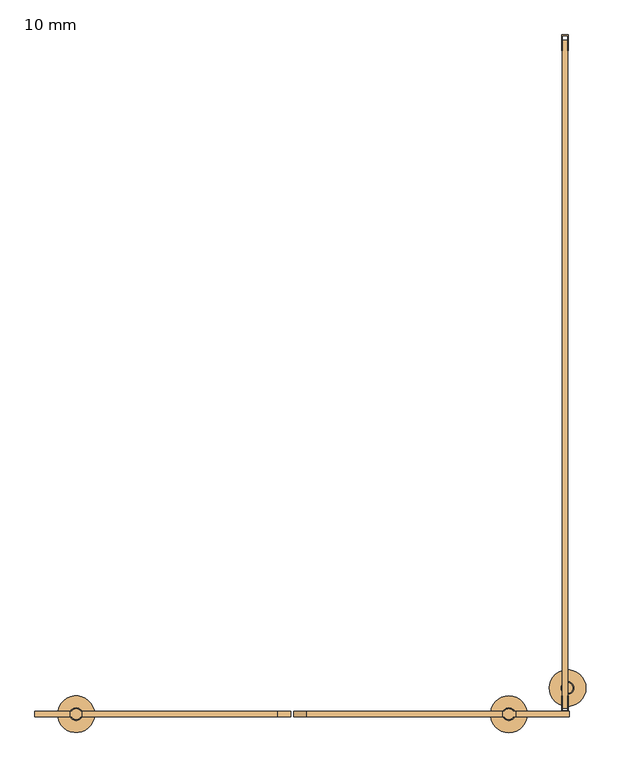
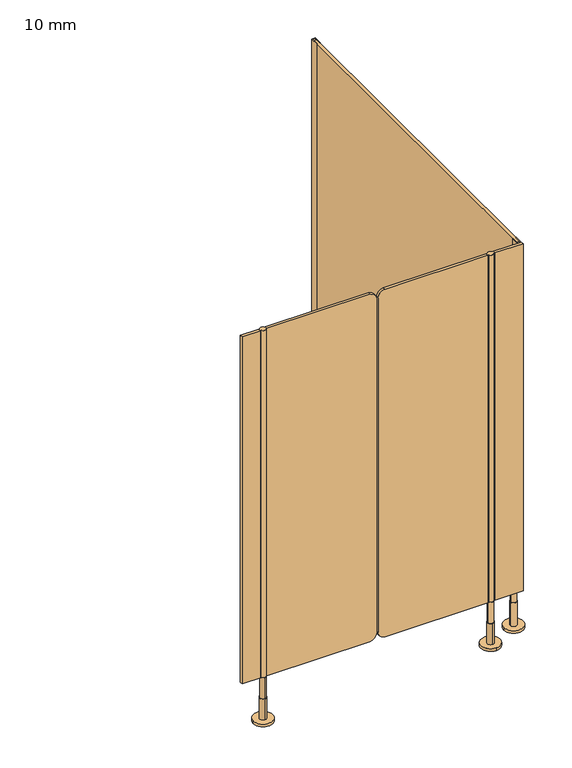
"""IFC4 building model written with IfcOpenShell, lengths in millimetres: door geometry, 10 mm."""

from ifc_helpers import new_model, si_unit, point, frame, frame_2d, origin, place, context, project, spatial, polyline, circle_curve, trimmed, segment, composite_curve, outline, extrude, source, transform, mapped, element, save
from ifc_brep_helpers import plane_surface, cylinder_surface, advanced_brep


def door_10_mm_586734e5(model_context):
    return source(origin(), model_context, "Body", "SolidModel", [
        advanced_brep(
        [(408.0, -1295.0, 170.0), (388.0, -1295.0, 170.0), (388.0, -1295.0, 90.0), (408.0, -1295.0, 90.0), (398.0, -1283.0, 90.0), (398.0, -1307.0, 90.0), (398.0, -1283.0, 10.0), (398.0, -1307.0, 10.0), (398.0, -1260.0, 10.0), (398.0, -1330.0, 10.0), (398.0, -1260.0, 0.0), (398.0, -1330.0, 0.0)],
        [
            (0, 1, circle_curve(frame((398.0, -1295.0, 170.0), z_axis=(0.0, 0.0, 1.0), x_axis=(-1.0, 0.0, 0.0)), 10.0)),
            (1, 0, circle_curve(frame((398.0, -1295.0, 170.0), z_axis=(0.0, 0.0, 1.0), x_axis=(-1.0, 0.0, 0.0)), 10.0)),
            (1, 2),
            (2, 3, circle_curve(frame((398.0, -1295.0, 90.0), z_axis=(0.0, 0.0, 1.0), x_axis=(-1.0, 0.0, 0.0)), 10.0)),
            (3, 0),
            (3, 2, circle_curve(frame((398.0, -1295.0, 90.0), z_axis=(0.0, 0.0, 1.0), x_axis=(-1.0, 0.0, 0.0)), 10.0)),
            (4, 5, circle_curve(frame((398.0, -1295.0, 90.0), z_axis=(0.0, 0.0, 1.0), x_axis=(0.0, -1.0, 0.0)), 12.0)),
            (5, 4, circle_curve(frame((398.0, -1295.0, 90.0), z_axis=(0.0, 0.0, 1.0), x_axis=(0.0, -1.0, 0.0)), 12.0)),
            (4, 6),
            (6, 7, circle_curve(frame((398.0, -1295.0, 10.0), z_axis=(0.0, 0.0, 1.0), x_axis=(0.0, -1.0, 0.0)), 12.0)),
            (7, 5),
            (7, 6, circle_curve(frame((398.0, -1295.0, 10.0), z_axis=(0.0, 0.0, 1.0), x_axis=(0.0, -1.0, 0.0)), 12.0)),
            (8, 9, circle_curve(frame((398.0, -1295.0, 10.0), z_axis=(0.0, 0.0, 1.0), x_axis=(0.0, -1.0, 0.0)), 35.0)),
            (9, 8, circle_curve(frame((398.0, -1295.0, 10.0), z_axis=(0.0, 0.0, 1.0), x_axis=(0.0, -1.0, 0.0)), 35.0)),
            (10, 11, circle_curve(frame((398.0, -1295.0, 0.0), z_axis=(0.0, 0.0, -1.0), x_axis=(0.0, -1.0, 0.0)), 35.0)),
            (11, 10, circle_curve(frame((398.0, -1295.0, 0.0), z_axis=(0.0, 0.0, -1.0), x_axis=(0.0, -1.0, 0.0)), 35.0)),
            (8, 10),
            (11, 9),
        ],
        [
            plane_surface(frame((398.0, -1290.0, 170.0), z_axis=(0.0, 0.0, 1.0), x_axis=(0.0, -1.0, 0.0))),
            cylinder_surface(frame((398.0, -1295.0, 90.0), z_axis=(0.0, 0.0, -1.0), x_axis=(-1.0, 0.0, 0.0)), 10.0),
            plane_surface(frame((398.0, -1290.0, 90.0), z_axis=(0.0, 0.0, 1.0), x_axis=(0.0, -1.0, 0.0))),
            cylinder_surface(frame((398.0, -1295.0, 90.0), z_axis=(0.0, 0.0, 1.0), x_axis=(0.0, -1.0, 0.0)), 12.0),
            plane_surface(frame((398.0, -1290.0, 10.0), z_axis=(0.0, 0.0, 1.0), x_axis=(0.0, -1.0, 0.0))),
            plane_surface(frame((398.0, -1290.0, 0.0), z_axis=(0.0, 0.0, -1.0), x_axis=(0.0, -1.0, 0.0))),
            cylinder_surface(frame((398.0, -1295.0, 10.0), z_axis=(0.0, 0.0, 1.0), x_axis=(0.0, -1.0, 0.0)), 35.0),
        ],
        [
            (0, [[1, 2]]),
            (1, [[-2, 3, 4, 5]]),
            (1, [[-1, -5, 6, -3]]),
            (2, [[7, 8], [-4, -6]]),
            (3, [[-7, 9, 10, 11]]),
            (3, [[-8, -11, 12, -9]]),
            (4, [[13, 14], [-10, -12]]),
            (5, [[15, 16]]),
            (6, [[-13, 17, -16, 18]]),
            (6, [[-14, -18, -15, -17]]),
        ],
    ),
        advanced_brep(
        [(-426.5, -1305.0, 170.0), (-426.5, -1285.0, 170.0), (-426.5, -1285.0, 90.0), (-426.5, -1305.0, 90.0), (-426.5, -1283.0, 90.0), (-426.5, -1307.0, 90.0), (-426.5, -1283.0, 10.0), (-426.5, -1307.0, 10.0), (-391.5, -1295.0, 0.0), (-461.5, -1295.0, 0.0), (-391.5, -1295.0, 10.0), (-461.5, -1295.0, 10.0)],
        [
            (0, 1, circle_curve(frame((-426.5, -1295.0, 170.0), z_axis=(0.0, 0.0, -1.0), x_axis=(0.0, -1.0, 0.0)), 10.0)),
            (1, 2),
            (2, 3, circle_curve(frame((-426.5, -1295.0, 90.0), z_axis=(0.0, 0.0, 1.0), x_axis=(0.0, -1.0, 0.0)), 10.0)),
            (3, 0),
            (1, 0, circle_curve(frame((-426.5, -1295.0, 170.0), z_axis=(0.0, 0.0, -1.0), x_axis=(0.0, -1.0, 0.0)), 10.0)),
            (3, 2, circle_curve(frame((-426.5, -1295.0, 90.0), z_axis=(0.0, 0.0, 1.0), x_axis=(0.0, -1.0, 0.0)), 10.0)),
            (4, 5, circle_curve(frame((-426.5, -1295.0, 90.0), z_axis=(0.0, 0.0, 1.0), x_axis=(0.0, -1.0, 0.0)), 12.0)),
            (5, 4, circle_curve(frame((-426.5, -1295.0, 90.0), z_axis=(0.0, 0.0, 1.0), x_axis=(0.0, -1.0, 0.0)), 12.0)),
            (4, 6),
            (6, 7, circle_curve(frame((-426.5, -1295.0, 10.0), z_axis=(0.0, 0.0, 1.0), x_axis=(0.0, -1.0, 0.0)), 12.0)),
            (7, 5),
            (7, 6, circle_curve(frame((-426.5, -1295.0, 10.0), z_axis=(0.0, 0.0, 1.0), x_axis=(0.0, -1.0, 0.0)), 12.0)),
            (8, 9, circle_curve(frame((-426.5, -1295.0, 0.0), z_axis=(0.0, 0.0, -1.0), x_axis=(-1.0, 0.0, 0.0)), 35.0)),
            (9, 8, circle_curve(frame((-426.5, -1295.0, 0.0), z_axis=(0.0, 0.0, -1.0), x_axis=(-1.0, 0.0, 0.0)), 35.0)),
            (10, 11, circle_curve(frame((-426.5, -1295.0, 10.0), z_axis=(0.0, 0.0, 1.0), x_axis=(-1.0, 0.0, 0.0)), 35.0)),
            (11, 10, circle_curve(frame((-426.5, -1295.0, 10.0), z_axis=(0.0, 0.0, 1.0), x_axis=(-1.0, 0.0, 0.0)), 35.0)),
            (8, 10),
            (11, 9),
        ],
        [
            cylinder_surface(frame((-426.5, -1295.0, 170.0), z_axis=(0.0, 0.0, 1.0), x_axis=(0.0, -1.0, 0.0)), 10.0),
            plane_surface(frame((-426.5, -1290.0, 90.0), z_axis=(0.0, 0.0, 1.0), x_axis=(0.0, -1.0, 0.0))),
            cylinder_surface(frame((-426.5, -1295.0, 90.0), z_axis=(0.0, 0.0, 1.0), x_axis=(0.0, -1.0, 0.0)), 12.0),
            plane_surface(frame((-426.5, -1290.0, 0.0), z_axis=(0.0, 0.0, -1.0), x_axis=(0.0, -1.0, 0.0))),
            plane_surface(frame((-426.5, -1290.0, 10.0), z_axis=(0.0, 0.0, 1.0), x_axis=(0.0, -1.0, 0.0))),
            cylinder_surface(frame((-426.5, -1295.0, 0.0), z_axis=(0.0, 0.0, -1.0), x_axis=(-1.0, 0.0, 0.0)), 35.0),
            plane_surface(frame((-426.5, -1290.0, 170.0), z_axis=(0.0, 0.0, 1.0), x_axis=(0.0, -1.0, 0.0))),
        ],
        [
            (0, [[1, 2, 3, 4]]),
            (0, [[5, -4, 6, -2]]),
            (1, [[7, 8], [-3, -6]]),
            (2, [[-7, 9, 10, 11]]),
            (2, [[-8, -11, 12, -9]]),
            (3, [[13, 14]]),
            (4, [[15, 16], [-10, -12]]),
            (5, [[-13, 17, -16, 18]]),
            (5, [[-14, -18, -15, -17]]),
            (6, [[-1, -5]]),
        ],
    ),
        extrude(outline(composite_curve([segment(polyline([(170.0, 385.0), (1500.0, 385.0), (1500.0, 13.0002203)]), True, "CONTINUOUS"), segment(trimmed(circle_curve(frame_2d((1475.0, 13.0002203)), 25.0), [point((1500.0, 13.0002203))], [point((1475.0, -11.9997797))], False, "CARTESIAN"), True, "CONTINUOUS"), segment(polyline([(1475.0, -11.9997797), (195.0, -11.9997797)]), True, "CONTINUOUS"), segment(trimmed(circle_curve(frame_2d((195.0, 13.0002203)), 25.0), [point((195.0, -11.9997797))], [point((170.0, 13.0002203))], False, "CARTESIAN"), True, "CONTINUOUS"), segment(polyline([(170.0, 13.0002203), (170.0, 385.0)]), True, "CONTINUOUS")], self_intersect=False)), frame((0.0, -1300.0, 0.0), z_axis=(0.0, 1.0, 0.0), x_axis=(0.0, 0.0, 1.0)), (0.0, 0.0, 1.0), 10.0),
        extrude(outline(composite_curve([segment(polyline([(1500.0, -415.0), (170.0, -415.0), (170.0, -43.0002203)]), True, "CONTINUOUS"), segment(trimmed(circle_curve(frame_2d((195.0, -43.0002203)), 25.0), [point((170.0, -43.0002203))], [point((195.0, -18.0002203))], False, "CARTESIAN"), True, "CONTINUOUS"), segment(polyline([(195.0, -18.0002203), (1475.0, -18.0002203)]), True, "CONTINUOUS"), segment(trimmed(circle_curve(frame_2d((1475.0, -43.0002203)), 25.0), [point((1475.0, -18.0002203))], [point((1500.0, -43.0002203))], False, "CARTESIAN"), True, "CONTINUOUS"), segment(polyline([(1500.0, -43.0002203), (1500.0, -415.0)]), True, "CONTINUOUS")], self_intersect=False)), frame((0.0, -1300.0, 0.0), z_axis=(0.0, 1.0, 0.0), x_axis=(0.0, 0.0, 1.0)), (0.0, 0.0, 1.0), 10.0),
        advanced_brep(
        [(-435.160254, -1290.0, 170.0), (-417.839746, -1290.0, 170.0), (-415.0, -1290.0010631, 170.0), (-415.0, -1299.9989369, 170.0), (-417.8391323, -1299.9989369, 170.0), (-435.1608677, -1299.9989369, 170.0), (-438.0, -1299.9989369, 170.0), (-438.0, -1290.0010631, 170.0), (-417.839746, -1290.0, 1500.0), (-435.160254, -1290.0, 1500.0), (-438.0, -1290.0010631, 1500.0), (-438.0, -1299.9989369, 1500.0), (-435.1608677, -1299.9989369, 1500.0), (-417.8391323, -1299.9989369, 1500.0), (-415.0, -1299.9989369, 1500.0), (-415.0, -1290.0010631, 1500.0)],
        [
            (0, 1, circle_curve(frame((-426.5, -1295.0, 170.0), z_axis=(0.0, 0.0, -1.0), x_axis=(-1.0, 0.0, 0.0)), 10.0)),
            (1, 2),
            (2, 3),
            (3, 4),
            (4, 5, circle_curve(frame((-426.5, -1295.0, 170.0), z_axis=(0.0, 0.0, -1.0), x_axis=(-1.0, 0.0, 0.0)), 10.0)),
            (5, 6),
            (6, 7),
            (7, 0),
            (8, 9, circle_curve(frame((-426.5, -1295.0, 1500.0), z_axis=(0.0, 0.0, 1.0), x_axis=(-1.0, 0.0, 0.0)), 10.0)),
            (9, 10),
            (10, 11),
            (11, 12),
            (12, 13, circle_curve(frame((-426.5, -1295.0, 1500.0), z_axis=(0.0, 0.0, 1.0), x_axis=(-1.0, 0.0, 0.0)), 10.0)),
            (13, 14),
            (14, 15),
            (15, 8),
            (0, 9),
            (8, 1),
            (4, 13),
            (12, 5),
            (7, 10),
            (15, 2),
            (14, 3),
            (11, 6),
        ],
        [
            plane_surface(frame((-420.2598646, -1290.0, 170.0), z_axis=(0.0, 0.0, -1.0), x_axis=(0.0, -1.0, 0.0))),
            plane_surface(frame((-420.2598646, -1290.0, 1500.0), z_axis=(0.0, 0.0, 1.0), x_axis=(0.0, -1.0, 0.0))),
            cylinder_surface(frame((-426.5, -1295.0, 170.0), z_axis=(0.0, 0.0, -1.0), x_axis=(-1.0, 0.0, 0.0)), 10.0),
            plane_surface(frame((-438.0, -1290.0010631, 170.0), z_axis=(0.0, 1.0, 0.0), x_axis=(0.0, 0.0, 1.0))),
            plane_surface(frame((-415.0, -1290.0010631, 170.0), z_axis=(1.0, 0.0, 0.0), x_axis=(0.0, 0.0, 1.0))),
            plane_surface(frame((-415.0, -1299.9989369, 170.0), z_axis=(0.0, -1.0, 0.0), x_axis=(0.0, 0.0, 1.0))),
            plane_surface(frame((-438.0, -1299.9989369, 170.0), z_axis=(-1.0, 0.0, 0.0), x_axis=(0.0, 0.0, 1.0))),
        ],
        [
            (0, [[1, 2, 3, 4, 5, 6, 7, 8]]),
            (1, [[9, 10, 11, 12, 13, 14, 15, 16]]),
            (2, [[-1, 17, -9, 18]]),
            (2, [[-5, 19, -13, 20]]),
            (3, [[21, -10, -17, -8]]),
            (3, [[22, -2, -18, -16]]),
            (4, [[-3, -22, -15, 23]]),
            (5, [[-23, -14, -19, -4]]),
            (5, [[24, -6, -20, -12]]),
            (6, [[-7, -24, -11, -21]]),
        ],
    ),
        extrude(outline(composite_curve([segment(trimmed(circle_curve(frame_2d((398.0, -1295.0)), 10.0), [point((406.6608677, -1299.9989369))], [point((389.3391323, -1299.9989369))], False, "CARTESIAN"), True, "CONTINUOUS"), segment(polyline([(389.3391323, -1299.9989369), (385.0, -1299.9989369), (385.0, -1290.0010631), (389.3391323, -1290.0010631)]), True, "CONTINUOUS"), segment(trimmed(circle_curve(frame_2d((398.0, -1295.0)), 10.0), [point((389.3391323, -1290.0010631))], [point((406.6608677, -1290.0010631))], False, "CARTESIAN"), True, "CONTINUOUS"), segment(polyline([(406.6608677, -1290.0010631), (411.0, -1290.0010631), (411.0, -1299.9989369), (406.6608677, -1299.9989369)]), True, "CONTINUOUS")], self_intersect=False)), frame((0.0, 0.0, 170.0), z_axis=(0.0, 0.0, 1.0), x_axis=(1.0, 0.0, 0.0)), (0.0, 0.0, 1.0), 1330.0),
        extrude(outline(polyline([(498.5, 0.0), (511.5, 0.0), (511.5, -30.0), (510.0, -30.0), (510.0, -1.5), (500.0, -1.5), (500.0, -30.0), (498.5, -30.0), (498.5, 0.0)])), frame((0.0, 0.0, 170.0), z_axis=(0.0, 0.0, 1.0), x_axis=(1.0, 0.0, 0.0)), (0.0, 0.0, 1.0), 1330.0),
        extrude(outline(polyline([(411.0, -1290.0), (513.0, -1290.0), (513.0, -1300.0), (411.0, -1300.0), (411.0, -1290.0)])), frame((0.0, 0.0, 170.0), z_axis=(0.0, 0.0, 1.0), x_axis=(1.0, 0.0, 0.0)), (0.0, 0.0, 1.0), 1330.0),
        extrude(outline(polyline([(-438.0, -1290.0), (-438.0, -1300.0), (-505.0, -1300.0), (-505.0, -1290.0), (-438.0, -1290.0)])), frame((0.0, 0.0, 170.0), z_axis=(0.0, 0.0, 1.0), x_axis=(1.0, 0.0, 0.0)), (0.0, 0.0, 1.0), 1330.0),
        extrude(outline(polyline([(511.5, -1290.0), (498.5, -1290.0), (498.5, -1260.0), (500.0, -1260.0), (500.0, -1288.5), (510.0, -1288.5), (510.0, -1260.0), (511.5, -1260.0), (511.5, -1290.0)])), frame((0.0, 0.0, 170.0), z_axis=(0.0, 0.0, 1.0), x_axis=(1.0, 0.0, 0.0)), (0.0, 0.0, 1.0), 1330.0),
        advanced_brep(
        [(475.0, -1245.0, 0.0), (545.0, -1245.0, 0.0), (475.0, -1245.0, 10.0), (545.0, -1245.0, 10.0), (498.0, -1245.0, 10.0), (522.0, -1245.0, 10.0), (498.0, -1245.0, 100.0), (522.0, -1245.0, 100.0), (500.0, -1245.0, 100.0), (520.0, -1245.0, 100.0), (500.0, -1245.0, 225.5), (520.0, -1245.0, 225.5)],
        [
            (0, 1, circle_curve(frame((510.0, -1245.0, 0.0), z_axis=(0.0, 0.0, -1.0), x_axis=(1.0, 0.0, 0.0)), 35.0)),
            (1, 0, circle_curve(frame((510.0, -1245.0, 0.0), z_axis=(0.0, 0.0, -1.0), x_axis=(1.0, 0.0, 0.0)), 35.0)),
            (2, 3, circle_curve(frame((510.0, -1245.0, 10.0), z_axis=(0.0, 0.0, 1.0), x_axis=(1.0, 0.0, 0.0)), 35.0)),
            (3, 2, circle_curve(frame((510.0, -1245.0, 10.0), z_axis=(0.0, 0.0, 1.0), x_axis=(1.0, 0.0, 0.0)), 35.0)),
            (4, 5, circle_curve(frame((510.0, -1245.0, 10.0), z_axis=(0.0, 0.0, -1.0), x_axis=(1.0, 0.0, 0.0)), 12.0)),
            (5, 4, circle_curve(frame((510.0, -1245.0, 10.0), z_axis=(0.0, 0.0, -1.0), x_axis=(1.0, 0.0, 0.0)), 12.0)),
            (0, 2),
            (3, 1),
            (6, 7, circle_curve(frame((510.0, -1245.0, 100.0), z_axis=(0.0, 0.0, 1.0), x_axis=(1.0, 0.0, 0.0)), 12.0)),
            (7, 6, circle_curve(frame((510.0, -1245.0, 100.0), z_axis=(0.0, 0.0, 1.0), x_axis=(1.0, 0.0, 0.0)), 12.0)),
            (8, 9, circle_curve(frame((510.0, -1245.0, 100.0), z_axis=(0.0, 0.0, -1.0), x_axis=(1.0, 0.0, 0.0)), 10.0)),
            (9, 8, circle_curve(frame((510.0, -1245.0, 100.0), z_axis=(0.0, 0.0, -1.0), x_axis=(1.0, 0.0, 0.0)), 10.0)),
            (7, 5),
            (4, 6),
            (10, 11, circle_curve(frame((510.0, -1245.0, 225.5), z_axis=(0.0, 0.0, 1.0), x_axis=(1.0, 0.0, 0.0)), 10.0)),
            (11, 10, circle_curve(frame((510.0, -1245.0, 225.5), z_axis=(0.0, 0.0, 1.0), x_axis=(1.0, 0.0, 0.0)), 10.0)),
            (11, 9),
            (8, 10),
        ],
        [
            plane_surface(frame((505.0, -1295.0, 0.0), z_axis=(0.0, 0.0, -1.0), x_axis=(0.0, 1.0, 0.0))),
            plane_surface(frame((505.0, -1295.0, 10.0), z_axis=(0.0, 0.0, 1.0), x_axis=(0.0, 1.0, 0.0))),
            cylinder_surface(frame((510.0, -1245.0, 0.0), z_axis=(0.0, 0.0, -1.0), x_axis=(1.0, 0.0, 0.0)), 35.0),
            plane_surface(frame((505.0, -1295.0, 100.0), z_axis=(0.0, 0.0, 1.0), x_axis=(0.0, 1.0, 0.0))),
            cylinder_surface(frame((510.0, -1245.0, 10.0), z_axis=(0.0, 0.0, -1.0), x_axis=(1.0, 0.0, 0.0)), 12.0),
            plane_surface(frame((505.0, -1295.0, 225.5), z_axis=(0.0, 0.0, 1.0), x_axis=(0.0, 1.0, 0.0))),
            cylinder_surface(frame((510.0, -1245.0, 100.0), z_axis=(0.0, 0.0, -1.0), x_axis=(1.0, 0.0, 0.0)), 10.0),
        ],
        [
            (0, [[1, 2]]),
            (1, [[3, 4], [5, 6]]),
            (2, [[-1, 7, -4, 8]]),
            (2, [[-2, -8, -3, -7]]),
            (3, [[9, 10], [11, 12]]),
            (4, [[-10, 13, -5, 14]]),
            (4, [[-9, -14, -6, -13]]),
            (5, [[15, 16]]),
            (6, [[-16, 17, -11, 18]]),
            (6, [[-15, -18, -12, -17]]),
        ],
    ),
        extrude(outline(polyline([(510.0, -10.0), (510.0, -1284.0), (500.0, -1284.0), (500.0, -10.0), (510.0, -10.0)])), frame((0.0, 0.0, 170.0), z_axis=(0.0, 0.0, 1.0), x_axis=(1.0, 0.0, 0.0)), (0.0, 0.0, 1.0), 1330.0),
    ])


if __name__ == "__main__":
    model = new_model("IFC4")
    model_context = context("Model", 3, world=origin())
    ifc_project = project(units=[si_unit("LENGTHUNIT", "METRE", prefix="MILLI")], contexts=[model_context])
    site = spatial("IfcSite", under=ifc_project)
    building = spatial("IfcBuilding", under=site)
    placement = place(None, origin())
    door_10_mm_shape = door_10_mm_586734e5(model_context)
    element("IfcDoor", 1, ObjectType="10 mm", at=placement, inside=building, context=model_context, shape_type="MappedRepresentation", body=[
        mapped(door_10_mm_shape, transform((0.0, 0.0, 0.0), x_axis=(1.0, 0.0, 0.0), y_axis=(0.0, 1.0, 0.0), z_axis=(0.0, 0.0, 1.0))),
    ])
    save(model, "model.ifc")
